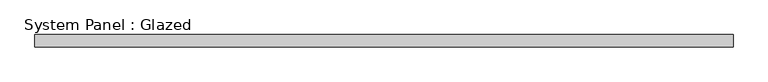
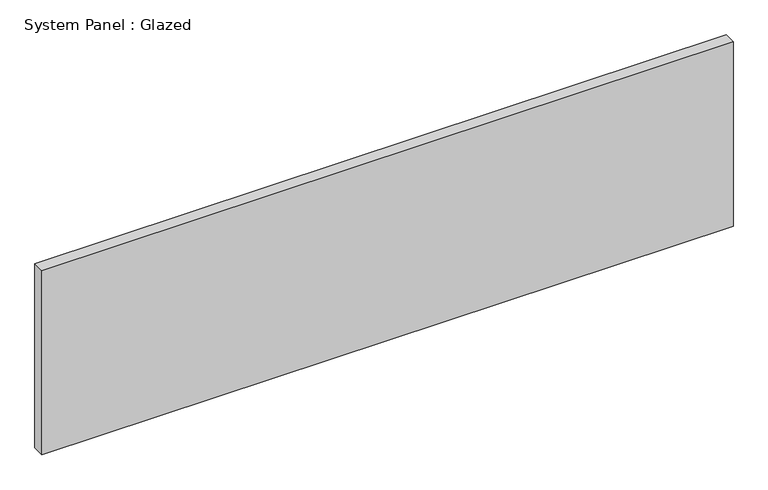
"""IFC4 building model written with IfcOpenShell, lengths in millimetres: plate geometry, System Panel : Glazed."""

from ifc_helpers import new_model, si_unit, origin, origin_with_axes, place, context, project, spatial, polyline, outline, extrude, source, transform, mapped, element, save


def system_panel_glazed_e9e71caf(model_context):
    return source(origin(), model_context, "Body", "SweptSolid", [
        extrude(outline(polyline([(710.0, -37.5), (-710.0, -37.5), (-710.0, -12.5), (710.0, -12.5), (710.0, -37.5)])), origin_with_axes(), (0.0, 0.0, 1.0), 400.0),
    ])


if __name__ == "__main__":
    model = new_model("IFC4")
    model_context = context("Model", 3, world=origin())
    ifc_project = project(units=[si_unit("LENGTHUNIT", "METRE", prefix="MILLI")], contexts=[model_context])
    site = spatial("IfcSite", under=ifc_project)
    building = spatial("IfcBuilding", under=site)
    placement = place(None, origin())
    system_panel_glazed_shape = system_panel_glazed_e9e71caf(model_context)
    element("IfcPlate", 1, ObjectType="System Panel : Glazed", at=placement, inside=building, context=model_context, shape_type="MappedRepresentation", body=[
        mapped(system_panel_glazed_shape, transform((0.0, 0.0, 0.0), x_axis=(1.0, 0.0, 0.0), y_axis=(0.0, 1.0, 0.0), z_axis=(0.0, 0.0, 1.0))),
    ])
    save(model, "model.ifc")
